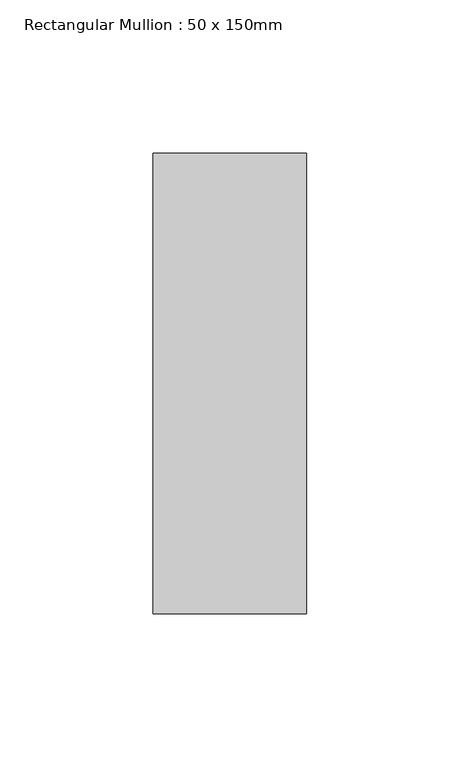
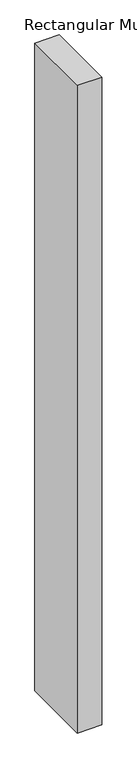
"""IFC4 building model written with IfcOpenShell, lengths in millimetres: member geometry, Rectangular Mullion : 50 x 150mm."""

from ifc_helpers import new_model, si_unit, frame, origin, place, context, project, spatial, polyline, outline, extrude, source, transform, mapped, element, save


def rectangular_mullion_50_x_150mm_426960ac(model_context):
    return source(origin(), model_context, "Body", "SweptSolid", [
        extrude(outline(polyline([(25.0, 75.0), (25.0, -75.0), (-25.0, -75.0), (-25.0, 75.0), (25.0, 75.0)])), frame((0.0, 0.0, -1398.5125701), z_axis=(0.0, 0.0, 1.0), x_axis=(1.0, 0.0, 0.0)), (0.0, 0.0, 1.0), 1398.5125701),
    ])


if __name__ == "__main__":
    model = new_model("IFC4")
    model_context = context("Model", 3, world=origin())
    ifc_project = project(units=[si_unit("LENGTHUNIT", "METRE", prefix="MILLI")], contexts=[model_context])
    site = spatial("IfcSite", under=ifc_project)
    building = spatial("IfcBuilding", under=site)
    placement = place(None, origin())
    rectangular_mullion_50_x_150mm_shape = rectangular_mullion_50_x_150mm_426960ac(model_context)
    element("IfcMember", 1, ObjectType="Rectangular Mullion : 50 x 150mm", at=placement, inside=building, context=model_context, shape_type="MappedRepresentation", body=[
        mapped(rectangular_mullion_50_x_150mm_shape, transform((0.0, 0.0, 0.0), x_axis=(1.0, 0.0, 0.0), y_axis=(0.0, 1.0, 0.0), z_axis=(0.0, 0.0, 1.0))),
    ])
    save(model, "model.ifc")
